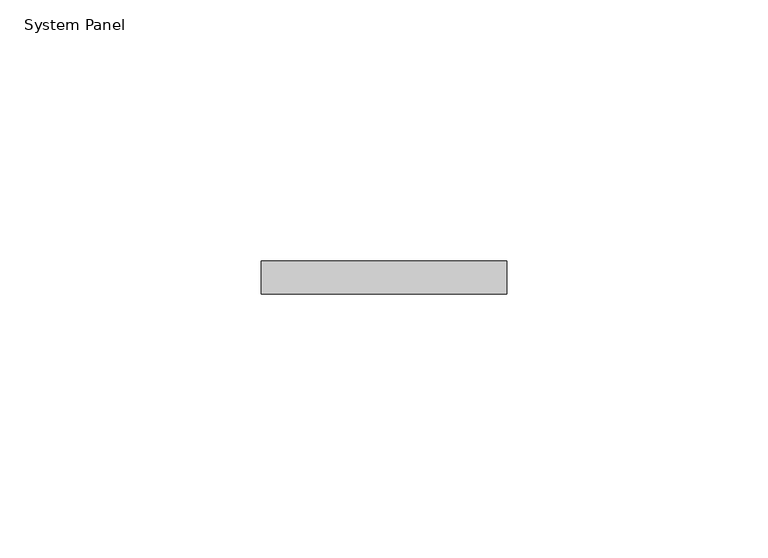
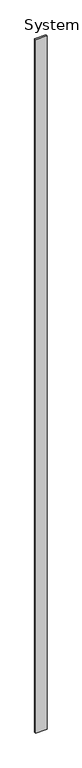
"""IFC4 building model written with IfcOpenShell, lengths in millimetres: plate geometry, System Panel."""

from ifc_helpers import new_model, si_unit, origin, origin_with_axes, place, context, project, spatial, polyline, outline, extrude, source, transform, mapped, element, save


def system_panel_e9ff1882(model_context):
    return source(origin(), model_context, "Body", "SweptSolid", [
        extrude(outline(polyline([(23.5378266, -6.35), (-23.5378266, -6.35), (-23.5378266, 0.0), (23.5378266, 0.0), (23.5378266, -6.35)])), origin_with_axes(), (0.0, 0.0, 1.0), 3048.0),
    ])


if __name__ == "__main__":
    model = new_model("IFC4")
    model_context = context("Model", 3, world=origin())
    ifc_project = project(units=[si_unit("LENGTHUNIT", "METRE", prefix="MILLI")], contexts=[model_context])
    site = spatial("IfcSite", under=ifc_project)
    building = spatial("IfcBuilding", under=site)
    placement = place(None, origin())
    system_panel_shape = system_panel_e9ff1882(model_context)
    element("IfcPlate", 1, ObjectType="System Panel", at=placement, inside=building, context=model_context, shape_type="MappedRepresentation", body=[
        mapped(system_panel_shape, transform((0.0, 0.0, 0.0), x_axis=(1.0, 0.0, 0.0), y_axis=(0.0, 1.0, 0.0), z_axis=(0.0, 0.0, 1.0))),
    ])
    save(model, "model.ifc")
